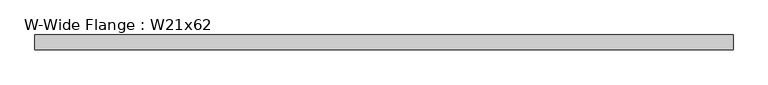
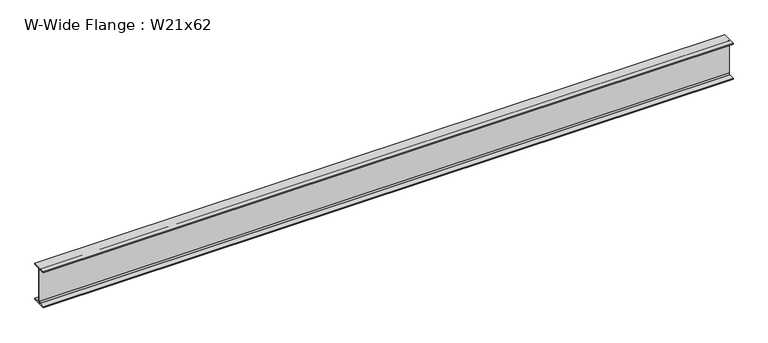
"""IFC4 building model written with IfcOpenShell, lengths in millimetres: beam geometry, W-Wide Flange : W21x62."""

from ifc_helpers import new_model, si_unit, point, frame, frame_2d, origin, place, context, project, spatial, polyline, circle_curve, trimmed, segment, composite_curve, outline, extrude, source, transform, mapped, element, save


def w_wide_flange_w21x62_a2afb19b(model_context):
    return source(origin(), model_context, "Body", "SweptSolid", [
        extrude(outline(composite_curve([segment(polyline([(104.648, -251.079), (104.648, -266.7), (-104.648, -266.7), (-104.648, -251.079), (-22.7965, -251.079)]), True, "CONTINUOUS"), segment(trimmed(circle_curve(frame_2d((-22.7965, -233.3625)), 17.7165), [point((-22.7965, -251.079))], [point((-5.08, -233.3625))], True, "CARTESIAN"), True, "CONTINUOUS"), segment(polyline([(-5.08, -233.3625), (-5.08, 233.3625)]), True, "CONTINUOUS"), segment(trimmed(circle_curve(frame_2d((-22.7965, 233.3625)), 17.7165), [point((-5.08, 233.3625))], [point((-22.7965, 251.079))], True, "CARTESIAN"), True, "CONTINUOUS"), segment(polyline([(-22.7965, 251.079), (-104.648, 251.079), (-104.648, 266.7), (104.648, 266.7), (104.648, 251.079), (22.7965, 251.079)]), True, "CONTINUOUS"), segment(trimmed(circle_curve(frame_2d((22.7965, 233.3625)), 17.7165), [point((22.7965, 251.079))], [point((5.08, 233.3625))], True, "CARTESIAN"), True, "CONTINUOUS"), segment(polyline([(5.08, 233.3625), (5.08, -233.3625)]), True, "CONTINUOUS"), segment(trimmed(circle_curve(frame_2d((22.7965, -233.3625)), 17.7165), [point((5.08, -233.3625))], [point((22.7965, -251.079))], True, "CARTESIAN"), True, "CONTINUOUS"), segment(polyline([(22.7965, -251.079), (104.648, -251.079)]), True, "CONTINUOUS")], self_intersect=False)), frame((-4858.639, 0.0, 0.0), z_axis=(1.0, 0.0, 0.0), x_axis=(0.0, 1.0, 0.0)), (0.0, 0.0, 1.0), 9717.278),
    ])


if __name__ == "__main__":
    model = new_model("IFC4")
    model_context = context("Model", 3, world=origin())
    ifc_project = project(units=[si_unit("LENGTHUNIT", "METRE", prefix="MILLI")], contexts=[model_context])
    site = spatial("IfcSite", under=ifc_project)
    building = spatial("IfcBuilding", under=site)
    placement = place(None, origin())
    w_wide_flange_w21x62_shape = w_wide_flange_w21x62_a2afb19b(model_context)
    element("IfcBeam", 1, ObjectType="W-Wide Flange : W21x62", at=placement, inside=building, context=model_context, shape_type="MappedRepresentation", body=[
        mapped(w_wide_flange_w21x62_shape, transform((0.0, 0.0, 0.0), x_axis=(1.0, 0.0, 0.0), y_axis=(0.0, 1.0, 0.0), z_axis=(0.0, 0.0, 1.0))),
    ])
    save(model, "model.ifc")
